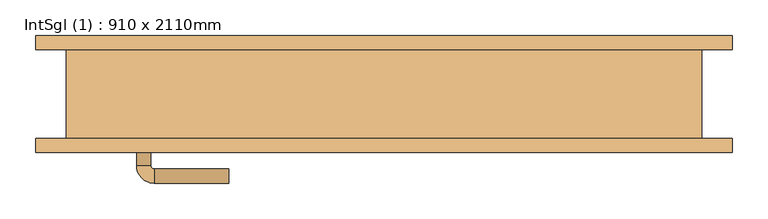
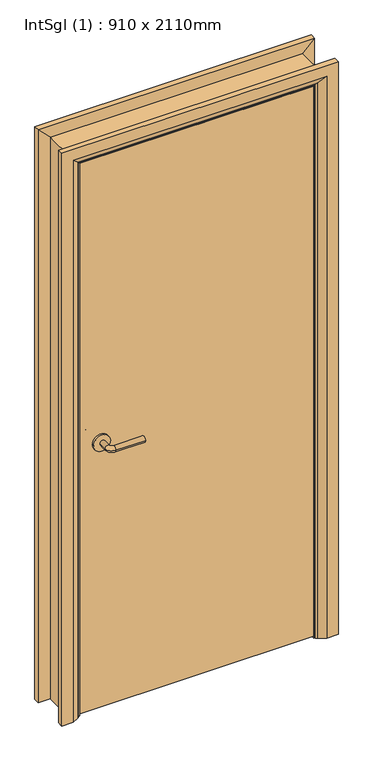
"""IFC4 building model written with IfcOpenShell, lengths in millimetres: door geometry, IntSgl (1) : 910 x 2110mm."""

from ifc_helpers import new_model, si_unit, point, frame, frame_2d, origin, place, context, project, spatial, polyline, circle_curve, ellipse_curve, trimmed, segment, composite_curve, outline, extrude, faceted_brep, source, transform, mapped, element, save
from ifc_brep_helpers import plane_surface, cylinder_surface, revolved_surface, advanced_brep


def intsgl_1_910_x_2110mm_76b165e6(model_context):
    return source(origin(), model_context, "Body", "SolidModel", [
        advanced_brep(
        [(-348.0, -16.5, 1000.0), (-328.0, -16.5, 1000.0), (-348.0, 13.5, 1000.0), (-328.0, 13.5, 1000.0), (-323.0, 18.5, 1000.0), (-323.0, 38.5, 1000.0), (-218.0, 38.5, 1000.0), (-218.0, 18.5, 1000.0)],
        [
            (0, 1, circle_curve(frame((-338.0, -16.5, 1000.0), z_axis=(0.0, -1.0, 0.0), x_axis=(1.0, 0.0, 0.0)), 10.0)),
            (1, 0, circle_curve(frame((-338.0, -16.5, 1000.0), z_axis=(0.0, -1.0, 0.0), x_axis=(1.0, 0.0, 0.0)), 10.0)),
            (0, 2),
            (2, 3, circle_curve(frame((-338.0, 13.5, 1000.0), z_axis=(0.0, -1.0, 0.0), x_axis=(1.0, 0.0, 0.0)), 10.0)),
            (3, 1),
            (3, 2, circle_curve(frame((-338.0, 13.5, 1000.0), z_axis=(0.0, -1.0, 0.0), x_axis=(1.0, 0.0, 0.0)), 10.0)),
            (4, 3, circle_curve(frame((-323.0, 13.5, 1000.0), z_axis=(0.0, 0.0, 1.0), x_axis=(-1.0, 0.0, 0.0)), 5.0)),
            (2, 5, circle_curve(frame((-323.0, 13.5, 1000.0), z_axis=(0.0, 0.0, -1.0), x_axis=(-1.0, 0.0, 0.0)), 25.0)),
            (5, 4, circle_curve(frame((-323.0, 28.5, 1000.0), z_axis=(-1.0, 0.0, 0.0), x_axis=(0.0, -1.0, 0.0)), 10.0)),
            (4, 5, circle_curve(frame((-323.0, 28.5, 1000.0), z_axis=(-1.0, 0.0, 0.0), x_axis=(0.0, -1.0, 0.0)), 10.0)),
            (6, 7, circle_curve(frame((-218.0, 28.5, 1000.0), z_axis=(1.0, 0.0, 0.0), x_axis=(0.0, -1.0, 0.0)), 10.0)),
            (7, 6, circle_curve(frame((-218.0, 28.5, 1000.0), z_axis=(1.0, 0.0, 0.0), x_axis=(0.0, -1.0, 0.0)), 10.0)),
            (5, 6),
            (7, 4),
        ],
        [
            plane_surface(frame((-338.0, -16.5, 1000.0), z_axis=(0.0, -1.0, 0.0), x_axis=(0.0, 0.0, 1.0))),
            cylinder_surface(frame((-338.0, -16.5, 1000.0), z_axis=(0.0, -1.0, 0.0), x_axis=(1.0, 0.0, 0.0)), 10.0),
            revolved_surface(trimmed(ellipse_curve(frame((-338.0, 13.5, 1000.0), z_axis=(0.0, -1.0, 0.0), x_axis=(1.0, 0.0, 0.0)), 10.0, 10.0), [point((-348.0, 13.5, 1000.0))], [point((-328.0, 13.5, 1000.0))], True, "CARTESIAN"), (-323.0, 13.5, 1000.0), (0.0, 0.0, -1.0)),
            revolved_surface(trimmed(ellipse_curve(frame((-338.0, 13.5, 1000.0), z_axis=(0.0, -1.0, 0.0), x_axis=(1.0, 0.0, 0.0)), 10.0, 10.0), [point((-328.0, 13.5, 1000.0))], [point((-348.0, 13.5, 1000.0))], True, "CARTESIAN"), (-323.0, 13.5, 1000.0), (0.0, 0.0, -1.0)),
            plane_surface(frame((-218.0, 28.5, 1000.0), z_axis=(1.0, 0.0, 0.0), x_axis=(0.0, 0.0, 1.0))),
            cylinder_surface(frame((-323.0, 28.5, 1000.0), z_axis=(-1.0, 0.0, 0.0), x_axis=(0.0, -1.0, 0.0)), 10.0),
        ],
        [
            (0, [[1, 2]]),
            (1, [[-1, 3, 4, 5]]),
            (1, [[-2, -5, 6, -3]]),
            (2, [[7, -4, 8, 9]]),
            (3, [[-8, -6, -7, 10]]),
            (4, [[11, 12]]),
            (5, [[-9, 13, -12, 14]]),
            (5, [[-10, -14, -11, -13]]),
        ],
    ),
        extrude(outline(composite_curve([segment(trimmed(circle_curve(frame_2d((1000.0, -340.5)), 30.0), [point((1000.0, -370.5))], [point((1000.0, -310.5))], False, "CARTESIAN"), True, "CONTINUOUS"), segment(trimmed(circle_curve(frame_2d((1000.0, -340.5)), 30.0), [point((1000.0, -310.5))], [point((1000.0, -370.5))], False, "CARTESIAN"), True, "CONTINUOUS")], self_intersect=False)), frame((0.0, -24.5, 0.0), z_axis=(0.0, 1.0, 0.0), x_axis=(0.0, 0.0, 1.0)), (0.0, 0.0, 1.0), 8.0),
        advanced_brep(
        [(-348.0, -70.5, 1000.0), (-328.0, -70.5, 1000.0), (-328.0, -100.5, 1000.0), (-348.0, -100.5, 1000.0), (-323.0, -105.5, 1000.0), (-323.0, -125.5, 1000.0), (-218.0, -125.5, 1000.0), (-218.0, -105.5, 1000.0)],
        [
            (0, 1, circle_curve(frame((-338.0, -70.5, 1000.0), z_axis=(0.0, 1.0, 0.0), x_axis=(1.0, 0.0, 0.0)), 10.0)),
            (1, 0, circle_curve(frame((-338.0, -70.5, 1000.0), z_axis=(0.0, 1.0, 0.0), x_axis=(1.0, 0.0, 0.0)), 10.0)),
            (1, 2),
            (2, 3, circle_curve(frame((-338.0, -100.5, 1000.0), z_axis=(0.0, 1.0, 0.0), x_axis=(1.0, 0.0, 0.0)), 10.0)),
            (3, 0),
            (3, 2, circle_curve(frame((-338.0, -100.5, 1000.0), z_axis=(0.0, 1.0, 0.0), x_axis=(1.0, 0.0, 0.0)), 10.0)),
            (4, 5, circle_curve(frame((-323.0, -115.5, 1000.0), z_axis=(-1.0, 0.0, 0.0), x_axis=(0.0, 1.0, 0.0)), 10.0)),
            (5, 3, circle_curve(frame((-323.0, -100.5, 1000.0), z_axis=(0.0, 0.0, -1.0), x_axis=(-1.0, 0.0, 0.0)), 25.0)),
            (2, 4, circle_curve(frame((-323.0, -100.5, 1000.0), z_axis=(0.0, 0.0, 1.0), x_axis=(-1.0, 0.0, 0.0)), 5.0)),
            (5, 4, circle_curve(frame((-323.0, -115.5, 1000.0), z_axis=(-1.0, 0.0, 0.0), x_axis=(0.0, 1.0, 0.0)), 10.0)),
            (6, 7, circle_curve(frame((-218.0, -115.5, 1000.0), z_axis=(1.0, 0.0, 0.0), x_axis=(0.0, 1.0, 0.0)), 10.0)),
            (7, 6, circle_curve(frame((-218.0, -115.5, 1000.0), z_axis=(1.0, 0.0, 0.0), x_axis=(0.0, 1.0, 0.0)), 10.0)),
            (4, 7),
            (6, 5),
        ],
        [
            plane_surface(frame((-338.0, -70.5, 1000.0), z_axis=(0.0, 1.0, 0.0), x_axis=(0.0, 0.0, 1.0))),
            cylinder_surface(frame((-338.0, -70.5, 1000.0), z_axis=(0.0, 1.0, 0.0), x_axis=(1.0, 0.0, 0.0)), 10.0),
            revolved_surface(trimmed(ellipse_curve(frame((-338.0, -100.5, 1000.0), z_axis=(0.0, -1.0, 0.0), x_axis=(1.0, 0.0, 0.0)), 10.0, 10.0), [point((-348.0, -100.5, 1000.0))], [point((-328.0, -100.5, 1000.0))], True, "CARTESIAN"), (-323.0, -100.5, 1000.0), (0.0, 0.0, -1.0)),
            revolved_surface(trimmed(ellipse_curve(frame((-338.0, -100.5, 1000.0), z_axis=(0.0, -1.0, 0.0), x_axis=(1.0, 0.0, 0.0)), 10.0, 10.0), [point((-328.0, -100.5, 1000.0))], [point((-348.0, -100.5, 1000.0))], True, "CARTESIAN"), (-323.0, -100.5, 1000.0), (0.0, 0.0, -1.0)),
            plane_surface(frame((-218.0, -115.5, 1000.0), z_axis=(1.0, 0.0, 0.0), x_axis=(0.0, 0.0, 1.0))),
            cylinder_surface(frame((-323.0, -115.5, 1000.0), z_axis=(-1.0, 0.0, 0.0), x_axis=(0.0, 1.0, 0.0)), 10.0),
        ],
        [
            (0, [[1, 2]]),
            (1, [[3, 4, 5, -2]]),
            (1, [[-5, 6, -3, -1]]),
            (2, [[7, 8, -4, 9]]),
            (3, [[10, -9, -6, -8]]),
            (4, [[11, 12]]),
            (5, [[13, -11, 14, -7]]),
            (5, [[-14, -12, -13, -10]]),
        ],
    ),
        extrude(outline(composite_curve([segment(trimmed(circle_curve(frame_2d((1000.0, -340.5)), 30.0), [point((1000.0, -370.5))], [point((1000.0, -310.5))], False, "CARTESIAN"), True, "CONTINUOUS"), segment(trimmed(circle_curve(frame_2d((1000.0, -340.5)), 30.0), [point((1000.0, -310.5))], [point((1000.0, -370.5))], False, "CARTESIAN"), True, "CONTINUOUS")], self_intersect=False)), frame((0.0, -70.5, 0.0), z_axis=(0.0, 1.0, 0.0), x_axis=(0.0, 0.0, 1.0)), (0.0, 0.0, 1.0), 8.0),
        extrude(outline(polyline([(413.0, -24.5), (413.0, -62.5), (-413.0, -62.5), (-413.0, -24.5), (413.0, -24.5)])), frame((0.0, 0.0, 8.0), z_axis=(0.0, 0.0, 1.0), x_axis=(1.0, 0.0, 0.0)), (0.0, 0.0, 1.0), 2060.0),
        advanced_brep(
        [(490.0, -82.5, 0.0), (450.0, -82.5, 0.0), (424.0, -68.5, 0.0), (420.0, -62.5, 0.0), (490.0, -62.5, 0.0), (490.0, -62.5, 2145.0), (490.0, -82.5, 2145.0), (420.0, -62.5, 2075.0), (-420.0, -62.5, 2075.0), (-420.0, -62.5, 0.0), (-490.0, -62.5, 0.0), (-490.0, -62.5, 2145.0), (424.0, -68.5, 2079.0), (450.0, -82.5, 2105.0), (-490.0, -82.5, 2145.0), (-490.0, -82.5, 0.0), (-450.0, -82.5, 0.0), (-450.0, -82.5, 2105.0), (-424.0, -68.5, 2079.0), (-424.0, -68.5, 0.0)],
        [
            (0, 1),
            (1, 2),
            (2, 3, circle_curve(frame((428.0, -61.5, 0.0), z_axis=(0.0, 0.0, -1.0), x_axis=(1.0, 0.0, 0.0)), 8.0622577)),
            (3, 4),
            (4, 0),
            (4, 5),
            (5, 6),
            (6, 0),
            (3, 7),
            (7, 8),
            (8, 9),
            (9, 10),
            (10, 11),
            (11, 5),
            (2, 12),
            (12, 7, ellipse_curve(frame((428.0, -61.5, 2083.0), z_axis=(0.7071067811865475, 0.0, -0.7071067811865475), x_axis=(-0.7071067811865474, 0.0, -0.7071067811865476)), 11.4017543, 8.0622577)),
            (1, 13),
            (13, 12),
            (6, 14),
            (14, 15),
            (15, 16),
            (16, 17),
            (17, 13),
            (11, 14),
            (12, 18),
            (18, 8, ellipse_curve(frame((-428.0, -61.5, 2083.0), z_axis=(0.7071067811865475, 0.0, 0.7071067811865475), x_axis=(0.7071067811865476, 0.0, -0.7071067811865474)), 11.4017543, 8.0622577)),
            (17, 18),
            (15, 10),
            (9, 19, circle_curve(frame((-428.0, -61.5, 0.0), z_axis=(0.0, 0.0, -1.0), x_axis=(-1.0, 0.0, 0.0)), 8.0622577)),
            (19, 16),
            (18, 19),
        ],
        [
            plane_surface(frame((420.0, -62.5, 0.0), z_axis=(0.0, 0.0, -1.0), x_axis=(0.0, 1.0, 0.0))),
            plane_surface(frame((490.0, -82.5, 0.0), z_axis=(1.0, 0.0, 0.0), x_axis=(0.0, 0.0, 1.0))),
            plane_surface(frame((490.0, -62.5, 0.0), z_axis=(0.0, 1.0, 0.0), x_axis=(0.0, 0.0, 1.0))),
            cylinder_surface(frame((428.0, -61.5, 0.0), z_axis=(0.0, 0.0, -1.0), x_axis=(1.0, 0.0, 0.0)), 8.0622577),
            plane_surface(frame((424.0, -68.5, 0.0), z_axis=(-0.4740998230350126, -0.880471099922178, 0.0), x_axis=(0.0, 0.0, 1.0))),
            plane_surface(frame((450.0, -82.5, 0.0), z_axis=(0.0, -1.0, 0.0), x_axis=(0.0, 0.0, 1.0))),
            plane_surface(frame((490.0, -82.5, 2145.0), z_axis=(0.0, 0.0, 1.0), x_axis=(-1.0, 0.0, 0.0))),
            cylinder_surface(frame((420.0, -61.5, 2083.0), z_axis=(1.0, 0.0, 0.0), x_axis=(0.0, 0.0, 1.0)), 8.0622577),
            plane_surface(frame((424.0, -68.5, 2079.0), z_axis=(0.0, -0.8804710999221764, -0.4740998230350154), x_axis=(-1.0, 0.0, 0.0))),
            plane_surface(frame((-420.0, -62.5, 0.0), z_axis=(0.0, 0.0, -1.0), x_axis=(0.0, 1.0, 0.0))),
            plane_surface(frame((-490.0, -82.5, 2145.0), z_axis=(-1.0, 0.0, 0.0), x_axis=(0.0, 0.0, -1.0))),
            cylinder_surface(frame((-428.0, -61.5, 2075.0), z_axis=(0.0, 0.0, 1.0), x_axis=(-1.0, 0.0, 0.0)), 8.0622577),
            plane_surface(frame((-424.0, -68.5, 2079.0), z_axis=(0.47409982303501824, -0.8804710999221749, 0.0), x_axis=(0.0, 0.0, -1.0))),
        ],
        [
            (0, [[1, 2, 3, 4, 5]]),
            (1, [[6, 7, 8, -5]]),
            (2, [[9, 10, 11, 12, 13, 14, -6, -4]]),
            (3, [[15, 16, -9, -3]]),
            (4, [[17, 18, -15, -2]]),
            (5, [[-8, 19, 20, 21, 22, 23, -17, -1]]),
            (6, [[-14, 24, -19, -7]]),
            (7, [[25, 26, -10, -16]]),
            (8, [[-23, 27, -25, -18]]),
            (9, [[28, -12, 29, 30, -21]]),
            (10, [[-13, -28, -20, -24]]),
            (11, [[31, -29, -11, -26]]),
            (12, [[-22, -30, -31, -27]]),
        ],
    ),
        extrude(outline(polyline([(0.0, -396.0), (2051.0, -396.0), (2051.0, 396.0), (0.0, 396.0), (0.0, 415.0), (2070.0, 415.0), (2070.0, -415.0), (0.0, -415.0), (0.0, -396.0)])), frame((0.0, -22.5, 0.0), z_axis=(0.0, 1.0, 0.0), x_axis=(0.0, 0.0, 1.0)), (0.0, 0.0, 1.0), 32.0),
        advanced_brep(
        [(-490.0, 82.5, 0.0), (-450.0, 82.5, 0.0), (-424.0, 68.5, 0.0), (-420.0, 62.5, 0.0), (-490.0, 62.5, 0.0), (-490.0, 62.5, 2145.0), (-490.0, 82.5, 2145.0), (-420.0, 62.5, 2075.0), (-424.0, 68.5, 2079.0), (-450.0, 82.5, 2105.0), (490.0, 62.5, 2145.0), (490.0, 82.5, 2145.0), (420.0, 62.5, 2075.0), (424.0, 68.5, 2079.0), (450.0, 82.5, 2105.0), (490.0, 82.5, 0.0), (490.0, 62.5, 0.0), (420.0, 62.5, 0.0), (424.0, 68.5, 0.0), (450.0, 82.5, 0.0)],
        [
            (0, 1),
            (1, 2),
            (2, 3, circle_curve(frame((-428.0, 61.5, 0.0), z_axis=(0.0, 0.0, -1.0), x_axis=(-1.0, 0.0, 0.0)), 8.0622577)),
            (3, 4),
            (4, 0),
            (4, 5),
            (5, 6),
            (6, 0),
            (3, 7),
            (7, 5),
            (2, 8),
            (8, 7, ellipse_curve(frame((-428.0, 61.5, 2083.0), z_axis=(-0.7071067811865475, 0.0, -0.7071067811865475), x_axis=(0.7071067811865474, 0.0, -0.7071067811865476)), 11.4017543, 8.0622577)),
            (1, 9),
            (9, 8),
            (6, 9),
            (5, 10),
            (10, 11),
            (11, 6),
            (7, 12),
            (12, 10),
            (8, 13),
            (13, 12, ellipse_curve(frame((428.0, 61.5, 2083.0), z_axis=(-0.7071067811865475, 0.0, 0.7071067811865475), x_axis=(-0.7071067811865476, 0.0, -0.7071067811865474)), 11.4017543, 8.0622577)),
            (9, 14),
            (14, 13),
            (11, 14),
            (15, 16),
            (16, 17),
            (17, 18, circle_curve(frame((428.0, 61.5, 0.0), z_axis=(0.0, 0.0, -1.0), x_axis=(1.0, 0.0, 0.0)), 8.0622577)),
            (18, 19),
            (19, 15),
            (10, 16),
            (15, 11),
            (12, 17),
            (13, 18),
            (14, 19),
        ],
        [
            plane_surface(frame((-420.0, 135.3010989, 0.0), z_axis=(0.0, 0.0, -1.0), x_axis=(1.0, 0.0, 0.0))),
            plane_surface(frame((-490.0, 82.5, 0.0), z_axis=(-1.0, 0.0, 0.0), x_axis=(0.0, 0.0, 1.0))),
            plane_surface(frame((-490.0, 62.5, 0.0), z_axis=(0.0, -1.0, 0.0), x_axis=(0.0, 0.0, 1.0))),
            cylinder_surface(frame((-428.0, 61.5, 0.0), z_axis=(0.0, 0.0, -1.0), x_axis=(-1.0, 0.0, 0.0)), 8.0622577),
            plane_surface(frame((-424.0, 68.5, 0.0), z_axis=(0.4740998230350183, 0.8804710999221749, 0.0), x_axis=(0.0, 0.0, 1.0))),
            plane_surface(frame((-450.0, 82.5, 0.0), z_axis=(0.0, 1.0, 0.0), x_axis=(0.0, 0.0, 1.0))),
            plane_surface(frame((-490.0, 82.5, 2145.0), z_axis=(0.0, 0.0, 1.0), x_axis=(1.0, 0.0, 0.0))),
            plane_surface(frame((-490.0, 62.5, 2145.0), z_axis=(0.0, -1.0, 0.0), x_axis=(1.0, 0.0, 0.0))),
            cylinder_surface(frame((-420.0, 61.5, 2083.0), z_axis=(-1.0, 0.0, 0.0), x_axis=(0.0, 0.0, 1.0)), 8.0622577),
            plane_surface(frame((-424.0, 68.5, 2079.0), z_axis=(0.0, 0.8804710999221749, -0.4740998230350183), x_axis=(1.0, 0.0, 0.0))),
            plane_surface(frame((-450.0, 82.5, 2105.0), z_axis=(0.0, 1.0, 0.0), x_axis=(1.0, 0.0, 0.0))),
            plane_surface(frame((420.0, 135.3010989, 0.0), z_axis=(0.0, 0.0, -1.0), x_axis=(-1.0, 0.0, 0.0))),
            plane_surface(frame((490.0, 82.5, 2145.0), z_axis=(1.0, 0.0, 0.0), x_axis=(0.0, 0.0, -1.0))),
            plane_surface(frame((490.0, 62.5, 2145.0), z_axis=(0.0, -1.0, 0.0), x_axis=(0.0, 0.0, -1.0))),
            cylinder_surface(frame((428.0, 61.5, 2075.0), z_axis=(0.0, 0.0, 1.0), x_axis=(1.0, 0.0, 0.0)), 8.0622577),
            plane_surface(frame((424.0, 68.5, 2079.0), z_axis=(-0.4740998230350183, 0.8804710999221749, 0.0), x_axis=(0.0, 0.0, -1.0))),
            plane_surface(frame((450.0, 82.5, 2105.0), z_axis=(0.0, 1.0, 0.0), x_axis=(0.0, 0.0, -1.0))),
        ],
        [
            (0, [[1, 2, 3, 4, 5]]),
            (1, [[6, 7, 8, -5]]),
            (2, [[9, 10, -6, -4]]),
            (3, [[11, 12, -9, -3]]),
            (4, [[13, 14, -11, -2]]),
            (5, [[-8, 15, -13, -1]]),
            (6, [[16, 17, 18, -7]]),
            (7, [[19, 20, -16, -10]]),
            (8, [[21, 22, -19, -12]]),
            (9, [[23, 24, -21, -14]]),
            (10, [[-18, 25, -23, -15]]),
            (11, [[26, 27, 28, 29, 30]]),
            (12, [[31, -26, 32, -17]]),
            (13, [[33, -27, -31, -20]]),
            (14, [[34, -28, -33, -22]]),
            (15, [[35, -29, -34, -24]]),
            (16, [[-32, -30, -35, -25]]),
        ],
    ),
        faceted_brep([(-415.0, -62.5, 0.0), (-447.0, -62.5, 0.0), (-447.0, 62.5, 0.0), (-415.0, 62.5, 0.0), (-415.0, 62.5, 2070.0), (-415.0, -62.5, 2070.0), (-447.0, 62.5, 2102.0), (-447.0, -62.5, 2102.0), (415.0, 62.5, 2070.0), (415.0, -62.5, 2070.0), (447.0, 62.5, 2102.0), (447.0, -62.5, 2102.0), (415.0, -62.5, 0.0), (415.0, 62.5, 0.0), (447.0, 62.5, 0.0), (447.0, -62.5, 0.0)], [[[0, 1, 2, 3]], [[3, 4, 5, 0]], [[2, 6, 4, 3]], [[1, 7, 6, 2]], [[0, 5, 7, 1]], [[4, 8, 9, 5]], [[6, 10, 8, 4]], [[7, 11, 10, 6]], [[5, 9, 11, 7]], [[12, 13, 14, 15]], [[8, 13, 12, 9]], [[10, 14, 13, 8]], [[11, 15, 14, 10]], [[9, 12, 15, 11]]]),
    ])


if __name__ == "__main__":
    model = new_model("IFC4")
    model_context = context("Model", 3, world=origin())
    ifc_project = project(units=[si_unit("LENGTHUNIT", "METRE", prefix="MILLI")], contexts=[model_context])
    site = spatial("IfcSite", under=ifc_project)
    building = spatial("IfcBuilding", under=site)
    placement = place(None, origin())
    intsgl_1_910_x_2110mm_shape = intsgl_1_910_x_2110mm_76b165e6(model_context)
    element("IfcDoor", 1, ObjectType="IntSgl (1) : 910 x 2110mm", at=placement, inside=building, context=model_context, shape_type="MappedRepresentation", body=[
        mapped(intsgl_1_910_x_2110mm_shape, transform((0.0, 0.0, 0.0), x_axis=(1.0, 0.0, 0.0), y_axis=(0.0, 1.0, 0.0), z_axis=(0.0, 0.0, 1.0))),
    ])
    save(model, "model.ifc")
